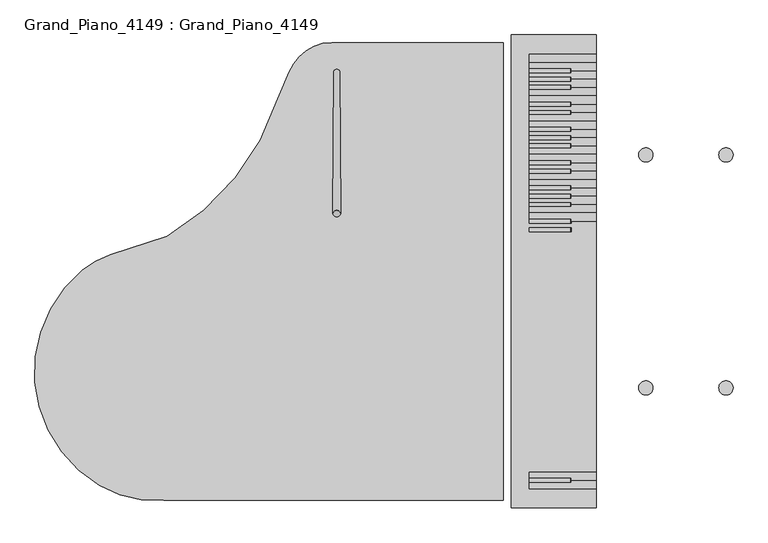
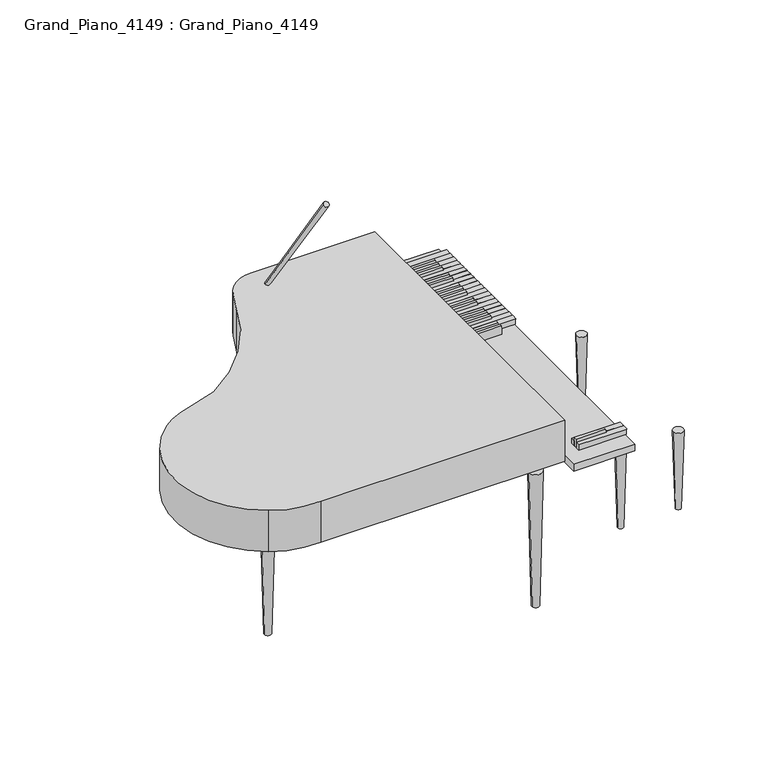
"""IFC4 building model written with IfcOpenShell, lengths in millimetres: proxy geometry, Grand_Piano_4149 : Grand_Piano_4149."""

from ifc_helpers import new_model, si_unit, point, frame, frame_2d, origin, place, context, project, spatial, polyline, circle_curve, trimmed, segment, composite_curve, outline, extrude, faceted_brep, source, transform, mapped, element, save
from ifc_brep_helpers import plane_surface, revolved_surface, advanced_brep


def grand_piano_4149_grand_piano_4149_f4924e3b(model_context):
    return source(origin(), model_context, "Body", "SolidModel", [
        advanced_brep(
        [(1019.4790399, 979.7646734, 1588.1924128), (1044.8790399, 979.7646734, 1588.1924128), (1022.0739441, 1451.5592, 914.4), (1042.2841357, 1451.5592, 914.4)],
        [
            (0, 1, circle_curve(frame((1032.1790399, 979.7646734, 1588.1924128), z_axis=(0.0, -0.5735764363510405, 0.8191520442889958), x_axis=(-1.0, 0.0, 0.0)), 12.7)),
            (1, 0, circle_curve(frame((1032.1790399, 979.7646734, 1588.1924128), z_axis=(0.0, -0.5735764363510405, 0.8191520442889958), x_axis=(1.0, 0.0, 0.0)), 12.7)),
            (2, 3, circle_curve(frame((1032.1790399, 1451.5592, 914.4), z_axis=(0.0, 0.5735764363510405, -0.8191520442889958), x_axis=(1.0, 0.0, 0.0)), 10.1050958)),
            (3, 2, circle_curve(frame((1032.1790399, 1451.5592, 914.4), z_axis=(0.0, 0.5735764363510405, -0.8191520442889958), x_axis=(-1.0, 0.0, 0.0)), 10.1050958)),
            (3, 1),
            (0, 2),
        ],
        [
            plane_surface(frame((1032.1790399, 979.7646734, 1588.1924128), z_axis=(0.0, -0.5735764363510405, 0.8191520442889958), x_axis=(0.0, -0.8191520442889958, -0.5735764363510405))),
            plane_surface(frame((1032.1790399, 1451.5592, 914.4), z_axis=(0.0, 0.5735764363510405, -0.8191520442889958), x_axis=(0.0, -0.8191520442889958, -0.5735764363510405))),
            revolved_surface(polyline([(1042.2841357116806, 1451.5592000135412, 914.4000000094811), (1044.8790399, 979.7646734, 1588.1924128)]), (1032.1790399, 3288.8250676, -1709.4875867), (0.0, -0.5735764363510405, 0.8191520442889958)),
            revolved_surface(polyline([(1022.0739440883193, 1451.5592000135412, 914.4000000094811), (1019.4790399, 979.7646734, 1588.1924128)]), (1032.1790399, 3288.8250676, -1709.4875867), (0.0, -0.5735764363510405, 0.8191520442889958)),
        ],
        [
            (0, [[1, 2]]),
            (1, [[3, 4]]),
            (2, [[-4, 5, -1, 6]]),
            (3, [[-3, -6, -2, -5]]),
        ],
    ),
        advanced_brep(
        [(2352.2820311, 399.3268281, 381.0), (2304.9104684, 399.3268281, 381.0), (2341.2962497, 399.3268281, 0.0), (2315.8962497, 399.3268281, 0.0)],
        [
            (0, 1, circle_curve(frame((2328.5962497, 399.3268281, 381.0), z_axis=(0.0, 0.0, 1.0), x_axis=(1.0, 0.0, 0.0)), 23.6857814)),
            (1, 0, circle_curve(frame((2328.5962497, 399.3268281, 381.0), z_axis=(0.0, 0.0, 1.0), x_axis=(-1.0, 0.0, 0.0)), 23.6857814)),
            (2, 3, circle_curve(frame((2328.5962497, 399.3268281, 0.0), z_axis=(0.0, 0.0, -1.0), x_axis=(-1.0, 0.0, 0.0)), 12.7)),
            (3, 2, circle_curve(frame((2328.5962497, 399.3268281, 0.0), z_axis=(0.0, 0.0, -1.0), x_axis=(1.0, 0.0, 0.0)), 12.7)),
            (3, 1),
            (0, 2),
        ],
        [
            plane_surface(frame((2328.5962497, 399.3268281, 381.0), z_axis=(0.0, 0.0, 1.0), x_axis=(0.0, 1.0, 0.0))),
            plane_surface(frame((2328.5962497, 399.3268281, 0.0), z_axis=(0.0, 0.0, -1.0), x_axis=(0.0, 1.0, 0.0))),
            revolved_surface(polyline([(2315.89624972864, 399.3268281, 0.0), (2304.9104684, 399.3268281, 380.99999999999994)]), (2328.5962497, 399.3268281, -440.4511472), (0.0, 0.0, 1.0)),
            revolved_surface(polyline([(2341.296249724978, 399.3268281, 0.0), (2352.2820311, 399.3268281, 380.99999999999994)]), (2328.5962497, 399.3268281, -440.4511472), (0.0, 0.0, 1.0)),
        ],
        [
            (0, [[1, 2]]),
            (1, [[3, 4]]),
            (2, [[-4, 5, -1, 6]]),
            (3, [[-3, -6, -2, -5]]),
        ],
    ),
        advanced_brep(
        [(2352.2820311, 1175.4731234, 381.0), (2304.9104684, 1175.4731234, 381.0), (2341.2962497, 1175.4731234, 0.0), (2315.8962497, 1175.4731234, 0.0)],
        [
            (0, 1, circle_curve(frame((2328.5962497, 1175.4731234, 381.0), z_axis=(0.0, 0.0, 1.0), x_axis=(1.0, 0.0, 0.0)), 23.6857814)),
            (1, 0, circle_curve(frame((2328.5962497, 1175.4731234, 381.0), z_axis=(0.0, 0.0, 1.0), x_axis=(-1.0, 0.0, 0.0)), 23.6857814)),
            (2, 3, circle_curve(frame((2328.5962497, 1175.4731234, 0.0), z_axis=(0.0, 0.0, -1.0), x_axis=(-1.0, 0.0, 0.0)), 12.7)),
            (3, 2, circle_curve(frame((2328.5962497, 1175.4731234, 0.0), z_axis=(0.0, 0.0, -1.0), x_axis=(1.0, 0.0, 0.0)), 12.7)),
            (3, 1),
            (0, 2),
        ],
        [
            plane_surface(frame((2328.5962497, 1175.4731234, 381.0), z_axis=(0.0, 0.0, 1.0), x_axis=(0.0, 1.0, 0.0))),
            plane_surface(frame((2328.5962497, 1175.4731234, 0.0), z_axis=(0.0, 0.0, -1.0), x_axis=(0.0, 1.0, 0.0))),
            revolved_surface(polyline([(2315.89624972864, 1175.4731234, 0.0), (2304.9104684, 1175.4731234, 380.99999999999994)]), (2328.5962497, 1175.4731234, -440.4511472), (0.0, 0.0, 1.0)),
            revolved_surface(polyline([(2341.296249724978, 1175.4731234, 0.0), (2352.2820311, 1175.4731234, 380.99999999999994)]), (2328.5962497, 1175.4731234, -440.4511472), (0.0, 0.0, 1.0)),
        ],
        [
            (0, [[1, 2]]),
            (1, [[3, 4]]),
            (2, [[-4, 5, -1, 6]]),
            (3, [[-3, -6, -2, -5]]),
        ],
    ),
        advanced_brep(
        [(2038.046483, 399.3268281, 381.0), (2085.4180457, 399.3268281, 381.0), (2049.0322644, 399.3268281, 0.0), (2074.4322644, 399.3268281, 0.0)],
        [
            (0, 1, circle_curve(frame((2061.7322644, 399.3268281, 381.0), z_axis=(0.0, 0.0, 1.0), x_axis=(-1.0, 0.0, 0.0)), 23.6857814)),
            (1, 0, circle_curve(frame((2061.7322644, 399.3268281, 381.0), z_axis=(0.0, 0.0, 1.0), x_axis=(1.0, 0.0, 0.0)), 23.6857814)),
            (2, 3, circle_curve(frame((2061.7322644, 399.3268281, 0.0), z_axis=(0.0, 0.0, -1.0), x_axis=(1.0, 0.0, 0.0)), 12.7)),
            (3, 2, circle_curve(frame((2061.7322644, 399.3268281, 0.0), z_axis=(0.0, 0.0, -1.0), x_axis=(-1.0, 0.0, 0.0)), 12.7)),
            (3, 1),
            (0, 2),
        ],
        [
            plane_surface(frame((2061.7322644, 399.3268281, 381.0), z_axis=(0.0, 0.0, 1.0), x_axis=(0.0, -1.0, 0.0))),
            plane_surface(frame((2061.7322644, 399.3268281, 0.0), z_axis=(0.0, 0.0, -1.0), x_axis=(0.0, -1.0, 0.0))),
            revolved_surface(polyline([(2074.43226437136, 399.3268281, 0.0), (2085.4180457, 399.3268281, 380.99999999999994)]), (2061.7322644, 399.3268281, -440.4511472), (0.0, 0.0, 1.0)),
            revolved_surface(polyline([(2049.032264375022, 399.3268281, 0.0), (2038.046483, 399.3268281, 380.99999999999994)]), (2061.7322644, 399.3268281, -440.4511472), (0.0, 0.0, 1.0)),
        ],
        [
            (0, [[1, 2]]),
            (1, [[3, 4]]),
            (2, [[-4, 5, -1, 6]]),
            (3, [[-3, -6, -2, -5]]),
        ],
    ),
        advanced_brep(
        [(2038.046483, 1175.4731234, 381.0), (2085.4180457, 1175.4731234, 381.0), (2049.0322644, 1175.4731234, 0.0), (2074.4322644, 1175.4731234, 0.0)],
        [
            (0, 1, circle_curve(frame((2061.7322644, 1175.4731234, 381.0), z_axis=(0.0, 0.0, 1.0), x_axis=(-1.0, 0.0, 0.0)), 23.6857814)),
            (1, 0, circle_curve(frame((2061.7322644, 1175.4731234, 381.0), z_axis=(0.0, 0.0, 1.0), x_axis=(1.0, 0.0, 0.0)), 23.6857814)),
            (2, 3, circle_curve(frame((2061.7322644, 1175.4731234, 0.0), z_axis=(0.0, 0.0, -1.0), x_axis=(1.0, 0.0, 0.0)), 12.7)),
            (3, 2, circle_curve(frame((2061.7322644, 1175.4731234, 0.0), z_axis=(0.0, 0.0, -1.0), x_axis=(-1.0, 0.0, 0.0)), 12.7)),
            (3, 1),
            (0, 2),
        ],
        [
            plane_surface(frame((2061.7322644, 1175.4731234, 381.0), z_axis=(0.0, 0.0, 1.0), x_axis=(0.0, -1.0, 0.0))),
            plane_surface(frame((2061.7322644, 1175.4731234, 0.0), z_axis=(0.0, 0.0, -1.0), x_axis=(0.0, -1.0, 0.0))),
            revolved_surface(polyline([(2074.43226437136, 1175.4731234, 0.0), (2085.4180457, 1175.4731234, 380.99999999999994)]), (2061.7322644, 1175.4731234, -440.4511472), (0.0, 0.0, 1.0)),
            revolved_surface(polyline([(2049.032264375022, 1175.4731234, 0.0), (2038.046483, 1175.4731234, 380.99999999999994)]), (2061.7322644, 1175.4731234, -440.4511472), (0.0, 0.0, 1.0)),
        ],
        [
            (0, [[1, 2]]),
            (1, [[3, 4]]),
            (2, [[-4, 5, -1, 6]]),
            (3, [[-3, -6, -2, -5]]),
        ],
    ),
        extrude(outline(composite_curve([segment(polyline([(276.8974813, 842.0752592), (467.7030104, 903.8017168)]), True, "CONTINUOUS"), segment(trimmed(circle_curve(frame_2d((44.8147767, 1621.4981786)), 833.0202095), [point((467.7030104, 903.8017168))], [point((836.4175492, 1362.099412))], True, "CARTESIAN"), True, "CONTINUOUS"), segment(trimmed(circle_curve(frame_2d((-151.2186047, 1837.3651163)), 1096.0395349), [point((836.4175492, 1362.099412))], [point((874.6744, 1451.5592))], True, "CARTESIAN"), True, "CONTINUOUS"), segment(trimmed(circle_curve(frame_2d((1016.0, 1398.4111111)), 150.9888889), [point((874.6744, 1451.5592))], [point((1016.0, 1549.4))], False, "CARTESIAN"), True, "CONTINUOUS"), segment(polyline([(1016.0, 1549.4), (1587.5, 1549.4), (1587.5, 25.4), (456.2129189, 25.4)]), True, "CONTINUOUS"), segment(trimmed(circle_curve(frame_2d((427.3193585, 390.3202066)), 366.062283), [point((456.2129189, 25.4))], [point((241.4938902, 74.9307801))], False, "CARTESIAN"), True, "CONTINUOUS"), segment(trimmed(circle_curve(frame_2d((464.306957, 453.0968408)), 438.9250872), [point((241.4938902, 74.9307801))], [point((185.2812557, 791.9181657))], False, "CARTESIAN"), True, "CONTINUOUS"), segment(trimmed(circle_curve(frame_2d((362.8964871, 576.2397255)), 279.4), [point((185.2812557, 791.9181657))], [point((276.8974813, 842.0752592))], False, "CARTESIAN"), True, "CONTINUOUS")], self_intersect=False)), frame((0.0, 0.0, 713.2368786), z_axis=(0.0, 0.0, 1.0), x_axis=(1.0, 0.0, 0.0)), (0.0, 0.0, 1.0), 201.1631214),
        advanced_brep(
        [(1460.5, 1479.5498547, 660.4), (1524.0, 1479.5498547, 660.4), (1475.6233568, 1479.5498547, 0.0), (1508.8766432, 1479.5498547, 0.0)],
        [
            (0, 1, circle_curve(frame((1492.25, 1479.5498547, 660.4), z_axis=(0.0, 0.0, 1.0), x_axis=(-1.0, 0.0, 0.0)), 31.75)),
            (1, 0, circle_curve(frame((1492.25, 1479.5498547, 660.4), z_axis=(0.0, 0.0, 1.0), x_axis=(1.0, 0.0, 0.0)), 31.75)),
            (2, 3, circle_curve(frame((1492.25, 1479.5498547, 0.0), z_axis=(0.0, 0.0, -1.0), x_axis=(1.0, 0.0, 0.0)), 16.6266432)),
            (3, 2, circle_curve(frame((1492.25, 1479.5498547, 0.0), z_axis=(0.0, 0.0, -1.0), x_axis=(-1.0, 0.0, 0.0)), 16.6266432)),
            (3, 1),
            (0, 2),
        ],
        [
            plane_surface(frame((1492.25, 1479.5498547, 660.4), z_axis=(0.0, 0.0, 1.0), x_axis=(0.0, -1.0, 0.0))),
            plane_surface(frame((1492.25, 1479.5498547, 0.0), z_axis=(0.0, 0.0, -1.0), x_axis=(0.0, -1.0, 0.0))),
            revolved_surface(polyline([(1508.8766431511674, 1479.5498547, 0.0), (1524.0, 1479.5498547, 660.4)]), (1492.25, 1479.5498547, -726.0448356), (0.0, 0.0, 1.0)),
            revolved_surface(polyline([(1475.6233568488326, 1479.5498547, 0.0), (1460.5, 1479.5498547, 660.4)]), (1492.25, 1479.5498547, -726.0448356), (0.0, 0.0, 1.0)),
        ],
        [
            (0, [[1, 2]]),
            (1, [[3, 4]]),
            (2, [[-4, 5, -1, 6]]),
            (3, [[-3, -6, -2, -5]]),
        ],
    ),
        advanced_brep(
        [(1460.5, 95.2498365, 660.4), (1524.0, 95.2498365, 660.4), (1475.6233568, 95.2498365, 0.0), (1508.8766432, 95.2498365, 0.0)],
        [
            (0, 1, circle_curve(frame((1492.25, 95.2498365, 660.4), z_axis=(0.0, 0.0, 1.0), x_axis=(-1.0, 0.0, 0.0)), 31.75)),
            (1, 0, circle_curve(frame((1492.25, 95.2498365, 660.4), z_axis=(0.0, 0.0, 1.0), x_axis=(1.0, 0.0, 0.0)), 31.75)),
            (2, 3, circle_curve(frame((1492.25, 95.2498365, 0.0), z_axis=(0.0, 0.0, -1.0), x_axis=(1.0, 0.0, 0.0)), 16.6266432)),
            (3, 2, circle_curve(frame((1492.25, 95.2498365, 0.0), z_axis=(0.0, 0.0, -1.0), x_axis=(-1.0, 0.0, 0.0)), 16.6266432)),
            (3, 1),
            (0, 2),
        ],
        [
            plane_surface(frame((1492.25, 95.2498365, 660.4), z_axis=(0.0, 0.0, 1.0), x_axis=(0.0, -1.0, 0.0))),
            plane_surface(frame((1492.25, 95.2498365, 0.0), z_axis=(0.0, 0.0, -1.0), x_axis=(0.0, -1.0, 0.0))),
            revolved_surface(polyline([(1508.8766431511674, 95.2498365, 0.0), (1524.0, 95.2498365, 660.4)]), (1492.25, 95.2498365, -726.0448356), (0.0, 0.0, 1.0)),
            revolved_surface(polyline([(1475.6233568488326, 95.2498365, 0.0), (1460.5, 95.2498365, 660.4)]), (1492.25, 95.2498365, -726.0448356), (0.0, 0.0, 1.0)),
        ],
        [
            (0, [[1, 2]]),
            (1, [[3, 4]]),
            (2, [[-4, 5, -1, 6]]),
            (3, [[-3, -6, -2, -5]]),
        ],
    ),
        advanced_brep(
        [(431.8, 463.5499031, 660.4), (495.3, 463.5499031, 660.4), (446.9233568, 463.5499031, 0.0), (480.1766432, 463.5499031, 0.0)],
        [
            (0, 1, circle_curve(frame((463.55, 463.5499031, 660.4), z_axis=(0.0, 0.0, 1.0), x_axis=(-1.0, 0.0, 0.0)), 31.75)),
            (1, 0, circle_curve(frame((463.55, 463.5499031, 660.4), z_axis=(0.0, 0.0, 1.0), x_axis=(1.0, 0.0, 0.0)), 31.75)),
            (2, 3, circle_curve(frame((463.55, 463.5499031, 0.0), z_axis=(0.0, 0.0, -1.0), x_axis=(1.0, 0.0, 0.0)), 16.6266432)),
            (3, 2, circle_curve(frame((463.55, 463.5499031, 0.0), z_axis=(0.0, 0.0, -1.0), x_axis=(-1.0, 0.0, 0.0)), 16.6266432)),
            (3, 1),
            (0, 2),
        ],
        [
            plane_surface(frame((463.55, 463.5499031, 660.4), z_axis=(0.0, 0.0, 1.0), x_axis=(0.0, -1.0, 0.0))),
            plane_surface(frame((463.55, 463.5499031, 0.0), z_axis=(0.0, 0.0, -1.0), x_axis=(0.0, -1.0, 0.0))),
            revolved_surface(polyline([(480.1766431511673, 463.5499031, 0.0), (495.3, 463.5499031, 660.4)]), (463.55, 463.5499031, -726.0448356), (0.0, 0.0, 1.0)),
            revolved_surface(polyline([(446.9233568488327, 463.5499031, 0.0), (431.8, 463.5499031, 660.4)]), (463.55, 463.5499031, -726.0448356), (0.0, 0.0, 1.0)),
        ],
        [
            (0, [[1, 2]]),
            (1, [[3, 4]]),
            (2, [[-4, 5, -1, 6]]),
            (3, [[-3, -6, -2, -5]]),
        ],
    ),
        extrude(outline(polyline([(1896.667768, 0.0), (1612.9, 0.0), (1612.9, 1574.8), (1896.667768, 1574.8), (1896.667768, 0.0)])), frame((0.0, 0.0, 672.865402), z_axis=(0.0, 0.0, 1.0), x_axis=(1.0, 0.0, 0.0)), (0.0, 0.0, 1.0), 32.6279989),
        extrude(outline(polyline([(715.5280142, 1673.9293037), (715.5280142, 1812.7439679), (740.9280142, 1812.7439679), (756.8030142, 1809.3696324), (756.8030142, 1673.9293037), (715.5280142, 1673.9293037)])), frame((0.0, 84.7785881, 0.0), z_axis=(0.0, 1.0, 0.0), x_axis=(0.0, 0.0, 1.0)), (0.0, 0.0, 1.0), 13.1274042),
        faceted_brep([(1895.7364663, 118.7877236, 740.9280142), (1673.9293037, 118.7877236, 740.9280142), (1673.9293037, 98.6997423, 740.9280142), (1813.5377179, 98.6997423, 740.9280142), (1813.5377179, 91.7391652, 740.9280142), (1895.7364663, 91.7391652, 740.9280142), (1896.667768, 92.6704669, 740.9280142), (1896.667768, 117.8564219, 740.9280142), (1813.5377179, 91.7391652, 715.5280142), (1813.5377179, 98.6997423, 715.5280142), (1673.9293037, 98.6997423, 715.5280142), (1673.9293037, 118.7877236, 715.5280142), (1893.9209225, 118.7877236, 715.5280142), (1893.9209225, 91.7391652, 715.5280142), (1895.7364663, 118.7877236, 739.0575896), (1893.9209225, 118.7877236, 739.0575896), (1893.9209225, 91.7391652, 739.0575896), (1895.7364663, 91.7391652, 739.0575896), (1896.667768, 92.6704669, 739.0575896), (1896.667768, 117.8564219, 739.0575896)], [[[0, 1, 2, 3, 4, 5, 6, 7]], [[8, 9, 10, 11, 12, 13]], [[1, 0, 14, 15, 12, 11]], [[2, 1, 11, 10]], [[3, 2, 10, 9]], [[4, 3, 9, 8]], [[5, 4, 8, 13, 16, 17]], [[6, 5, 17, 18]], [[7, 6, 18, 19]], [[0, 7, 19, 14]], [[15, 16, 13, 12]], [[16, 15, 14, 19, 18, 17]]]),
        faceted_brep([(1813.5377179, 83.9848381, 740.9280142), (1673.9293037, 83.9848381, 740.9280142), (1673.9293037, 63.8968568, 740.9280142), (1895.7364663, 63.8968568, 740.9280142), (1896.667768, 64.8281585, 740.9280142), (1896.667768, 90.0141135, 740.9280142), (1895.7364663, 90.9454152, 740.9280142), (1813.5377179, 90.9454152, 740.9280142), (1813.5377179, 83.9848381, 715.5280142), (1813.5377179, 90.9454152, 715.5280142), (1893.9209225, 90.9454152, 715.5280142), (1893.9209225, 63.8968568, 715.5280142), (1673.9293037, 63.8968568, 715.5280142), (1673.9293037, 83.9848381, 715.5280142), (1893.9209225, 63.8968568, 739.0575896), (1895.7364663, 63.8968568, 739.0575896), (1896.667768, 64.8281585, 739.0575896), (1896.667768, 90.0141135, 739.0575896), (1895.7364663, 90.9454152, 739.0575896), (1893.9209225, 90.9454152, 739.0575896)], [[[0, 1, 2, 3, 4, 5, 6, 7]], [[8, 9, 10, 11, 12, 13]], [[1, 0, 8, 13]], [[2, 1, 13, 12]], [[3, 2, 12, 11, 14, 15]], [[4, 3, 15, 16]], [[5, 4, 16, 17]], [[6, 5, 17, 18]], [[7, 6, 18, 19, 10, 9]], [[0, 7, 9, 8]], [[19, 14, 11, 10]], [[14, 19, 18, 17, 16, 15]]]),
        faceted_brep([(1895.7364663, 1510.9031432, 740.9280142), (1673.9293037, 1510.9031432, 740.9280142), (1673.9293037, 1483.8545848, 740.9280142), (1895.7364663, 1483.8545848, 740.9280142), (1896.667768, 1484.7858865, 740.9280142), (1896.667768, 1509.9718415, 740.9280142), (1673.9293037, 1483.8545848, 715.5280142), (1673.9293037, 1510.9031432, 715.5280142), (1893.9209225, 1510.9031432, 715.5280142), (1893.9209225, 1483.8545848, 715.5280142), (1895.7364663, 1510.9031432, 739.0575896), (1893.9209225, 1510.9031432, 739.0575896), (1893.9209225, 1483.8545848, 739.0575896), (1895.7364663, 1483.8545848, 739.0575896), (1896.667768, 1484.7858865, 739.0575896), (1896.667768, 1509.9718415, 739.0575896)], [[[0, 1, 2, 3, 4, 5]], [[6, 7, 8, 9]], [[1, 0, 10, 11, 8, 7]], [[2, 1, 7, 6]], [[3, 2, 6, 9, 12, 13]], [[4, 3, 13, 14]], [[5, 4, 14, 15]], [[0, 5, 15, 10]], [[11, 12, 9, 8]], [[12, 11, 10, 15, 14, 13]]]),
        extrude(outline(polyline([(715.5280142, 1673.9293037), (715.5280142, 1812.7439679), (740.9280142, 1812.7439679), (756.8030142, 1809.3696324), (756.8030142, 1673.9293037), (715.5280142, 1673.9293037)])), frame((0.0, 85.1041545, 0.0), z_axis=(0.0, 1.0, 0.0), x_axis=(0.0, 0.0, 1.0)), (0.0, 0.0, 1.0), 13.1274042),
        faceted_brep([(1895.7364663, 1483.0608348, 740.9280142), (1673.9293037, 1483.0608348, 740.9280142), (1673.9293037, 1462.9728535, 740.9280142), (1813.5377179, 1462.9728535, 740.9280142), (1813.5377179, 1456.0122764, 740.9280142), (1895.7364663, 1456.0122764, 740.9280142), (1896.667768, 1456.9435781, 740.9280142), (1896.667768, 1482.1295331, 740.9280142), (1813.5377179, 1456.0122764, 715.5280142), (1813.5377179, 1462.9728535, 715.5280142), (1673.9293037, 1462.9728535, 715.5280142), (1673.9293037, 1483.0608348, 715.5280142), (1893.9209225, 1483.0608348, 715.5280142), (1893.9209225, 1456.0122764, 715.5280142), (1895.7364663, 1483.0608348, 739.0575896), (1893.9209225, 1483.0608348, 739.0575896), (1893.9209225, 1456.0122764, 739.0575896), (1895.7364663, 1456.0122764, 739.0575896), (1896.667768, 1456.9435781, 739.0575896), (1896.667768, 1482.1295331, 739.0575896)], [[[0, 1, 2, 3, 4, 5, 6, 7]], [[8, 9, 10, 11, 12, 13]], [[1, 0, 14, 15, 12, 11]], [[2, 1, 11, 10]], [[3, 2, 10, 9]], [[4, 3, 9, 8]], [[5, 4, 8, 13, 16, 17]], [[6, 5, 17, 18]], [[7, 6, 18, 19]], [[0, 7, 19, 14]], [[15, 16, 13, 12]], [[16, 15, 14, 19, 18, 17]]]),
        faceted_brep([(1813.5377179, 1435.1305451, 740.9280142), (1813.5377179, 1428.169968, 740.9280142), (1895.7364663, 1428.169968, 740.9280142), (1896.667768, 1429.1012697, 740.9280142), (1896.667768, 1454.2872247, 740.9280142), (1895.7364663, 1455.2185264, 740.9280142), (1813.5377179, 1455.2185264, 740.9280142), (1813.5377179, 1448.2579493, 740.9280142), (1673.9293037, 1448.2579493, 740.9280142), (1673.9293037, 1435.1305451, 740.9280142), (1813.5377179, 1435.1305451, 715.5280142), (1673.9293037, 1435.1305451, 715.5280142), (1673.9293037, 1448.2579493, 715.5280142), (1813.5377179, 1448.2579493, 715.5280142), (1813.5377179, 1455.2185264, 715.5280142), (1893.9209225, 1455.2185264, 715.5280142), (1893.9209225, 1428.169968, 715.5280142), (1813.5377179, 1428.169968, 715.5280142), (1893.9209225, 1428.169968, 739.0575896), (1895.7364663, 1428.169968, 739.0575896), (1896.667768, 1429.1012697, 739.0575896), (1896.667768, 1454.2872247, 739.0575896), (1895.7364663, 1455.2185264, 739.0575896), (1893.9209225, 1455.2185264, 739.0575896)], [[[0, 1, 2, 3, 4, 5, 6, 7, 8, 9]], [[10, 11, 12, 13, 14, 15, 16, 17]], [[1, 0, 10, 17]], [[2, 1, 17, 16, 18, 19]], [[3, 2, 19, 20]], [[4, 3, 20, 21]], [[5, 4, 21, 22]], [[6, 5, 22, 23, 15, 14]], [[7, 6, 14, 13]], [[8, 7, 13, 12]], [[9, 8, 12, 11]], [[0, 9, 11, 10]], [[23, 18, 16, 15]], [[18, 23, 22, 21, 20, 19]]]),
        faceted_brep([(1813.5377179, 1420.4156409, 740.9280142), (1673.9293037, 1420.4156409, 740.9280142), (1673.9293037, 1407.2882367, 740.9280142), (1813.5377179, 1407.2882367, 740.9280142), (1813.5377179, 1400.3276596, 740.9280142), (1895.7364663, 1400.3276596, 740.9280142), (1896.667768, 1401.2589613, 740.9280142), (1896.667768, 1426.4449163, 740.9280142), (1895.7364663, 1427.376218, 740.9280142), (1813.5377179, 1427.376218, 740.9280142), (1813.5377179, 1420.4156409, 715.5280142), (1813.5377179, 1427.376218, 715.5280142), (1893.9209225, 1427.376218, 715.5280142), (1893.9209225, 1400.3276596, 715.5280142), (1813.5377179, 1400.3276596, 715.5280142), (1813.5377179, 1407.2882367, 715.5280142), (1673.9293037, 1407.2882367, 715.5280142), (1673.9293037, 1420.4156409, 715.5280142), (1893.9209225, 1400.3276596, 739.0575896), (1895.7364663, 1400.3276596, 739.0575896), (1896.667768, 1401.2589613, 739.0575896), (1896.667768, 1426.4449163, 739.0575896), (1895.7364663, 1427.376218, 739.0575896), (1893.9209225, 1427.376218, 739.0575896)], [[[0, 1, 2, 3, 4, 5, 6, 7, 8, 9]], [[10, 11, 12, 13, 14, 15, 16, 17]], [[1, 0, 10, 17]], [[2, 1, 17, 16]], [[3, 2, 16, 15]], [[4, 3, 15, 14]], [[5, 4, 14, 13, 18, 19]], [[6, 5, 19, 20]], [[7, 6, 20, 21]], [[8, 7, 21, 22]], [[9, 8, 22, 23, 12, 11]], [[0, 9, 11, 10]], [[23, 18, 13, 12]], [[18, 23, 22, 21, 20, 19]]]),
        faceted_brep([(1895.7364663, 1371.6916012, 740.9280142), (1673.9293037, 1371.6916012, 740.9280142), (1673.9293037, 1351.6036199, 740.9280142), (1813.5377179, 1351.6036199, 740.9280142), (1813.5377179, 1344.6430428, 740.9280142), (1895.7364663, 1344.6430428, 740.9280142), (1896.667768, 1345.5743445, 740.9280142), (1896.667768, 1370.7602995, 740.9280142), (1813.5377179, 1344.6430428, 715.5280142), (1813.5377179, 1351.6036199, 715.5280142), (1673.9293037, 1351.6036199, 715.5280142), (1673.9293037, 1371.6916012, 715.5280142), (1893.9209225, 1371.6916012, 715.5280142), (1893.9209225, 1344.6430428, 715.5280142), (1895.7364663, 1371.6916012, 739.0575896), (1893.9209225, 1371.6916012, 739.0575896), (1893.9209225, 1344.6430428, 739.0575896), (1895.7364663, 1344.6430428, 739.0575896), (1896.667768, 1345.5743445, 739.0575896), (1896.667768, 1370.7602995, 739.0575896)], [[[0, 1, 2, 3, 4, 5, 6, 7]], [[8, 9, 10, 11, 12, 13]], [[1, 0, 14, 15, 12, 11]], [[2, 1, 11, 10]], [[3, 2, 10, 9]], [[4, 3, 9, 8]], [[5, 4, 8, 13, 16, 17]], [[6, 5, 17, 18]], [[7, 6, 18, 19]], [[0, 7, 19, 14]], [[15, 16, 13, 12]], [[16, 15, 14, 19, 18, 17]]]),
        faceted_brep([(1895.7364663, 1372.4853512, 740.9280142), (1896.667768, 1373.4166529, 740.9280142), (1896.667768, 1398.6026079, 740.9280142), (1895.7364663, 1399.5339096, 740.9280142), (1813.5377179, 1399.5339096, 740.9280142), (1813.5377179, 1392.5733325, 740.9280142), (1673.9293037, 1392.5733325, 740.9280142), (1673.9293037, 1372.4853512, 740.9280142), (1673.9293037, 1372.4853512, 715.5280142), (1673.9293037, 1392.5733325, 715.5280142), (1813.5377179, 1392.5733325, 715.5280142), (1813.5377179, 1399.5339096, 715.5280142), (1893.9209225, 1399.5339096, 715.5280142), (1893.9209225, 1372.4853512, 715.5280142), (1895.7364663, 1372.4853512, 739.0575896), (1896.667768, 1373.4166529, 739.0575896), (1896.667768, 1398.6026079, 739.0575896), (1895.7364663, 1399.5339096, 739.0575896), (1893.9209225, 1399.5339096, 739.0575896), (1893.9209225, 1372.4853512, 739.0575896)], [[[0, 1, 2, 3, 4, 5, 6, 7]], [[8, 9, 10, 11, 12, 13]], [[1, 0, 14, 15]], [[2, 1, 15, 16]], [[3, 2, 16, 17]], [[4, 3, 17, 18, 12, 11]], [[5, 4, 11, 10]], [[6, 5, 10, 9]], [[7, 6, 9, 8]], [[0, 7, 8, 13, 19, 14]], [[18, 19, 13, 12]], [[19, 18, 17, 16, 15, 14]]]),
        extrude(outline(polyline([(715.5280142, 1673.9293037), (715.5280142, 1812.7439679), (740.9280142, 1812.7439679), (756.8030142, 1809.3696324), (756.8030142, 1673.9293037), (715.5280142, 1673.9293037)])), frame((0.0, 1449.0516993, 0.0), z_axis=(0.0, 1.0, 0.0), x_axis=(0.0, 0.0, 1.0)), (0.0, 0.0, 1.0), 13.1274042),
        extrude(outline(polyline([(715.5280142, 1673.9293037), (715.5280142, 1812.7439679), (740.9280142, 1812.7439679), (756.8030142, 1809.3696324), (756.8030142, 1673.9293037), (715.5280142, 1673.9293037)])), frame((0.0, 1421.2093909, 0.0), z_axis=(0.0, 1.0, 0.0), x_axis=(0.0, 0.0, 1.0)), (0.0, 0.0, 1.0), 13.1274042),
        extrude(outline(polyline([(715.5280142, 1673.9293037), (715.5280142, 1812.7439679), (740.9280142, 1812.7439679), (756.8030142, 1809.3696324), (756.8030142, 1673.9293037), (715.5280142, 1673.9293037)])), frame((0.0, 1393.3670825, 0.0), z_axis=(0.0, 1.0, 0.0), x_axis=(0.0, 0.0, 1.0)), (0.0, 0.0, 1.0), 13.1274042),
        extrude(outline(polyline([(715.5280142, 1673.9293037), (715.5280142, 1812.7439679), (740.9280142, 1812.7439679), (756.8030142, 1809.3696324), (756.8030142, 1673.9293037), (715.5280142, 1673.9293037)])), frame((0.0, 1309.8401573, 0.0), z_axis=(0.0, 1.0, 0.0), x_axis=(0.0, 0.0, 1.0)), (0.0, 0.0, 1.0), 13.1274042),
        extrude(outline(polyline([(715.5280142, 1673.9293037), (715.5280142, 1812.7439679), (740.9280142, 1812.7439679), (756.8030142, 1809.3696324), (756.8030142, 1673.9293037), (715.5280142, 1673.9293037)])), frame((0.0, 1337.6824657, 0.0), z_axis=(0.0, 1.0, 0.0), x_axis=(0.0, 0.0, 1.0)), (0.0, 0.0, 1.0), 13.1274042),
        faceted_brep([(1813.5377179, 1336.8887157, 740.9280142), (1673.9293037, 1336.8887157, 740.9280142), (1673.9293037, 1323.7613115, 740.9280142), (1813.5377179, 1323.7613115, 740.9280142), (1813.5377179, 1316.8007344, 740.9280142), (1895.7364663, 1316.8007344, 740.9280142), (1896.667768, 1317.7320361, 740.9280142), (1896.667768, 1342.9179911, 740.9280142), (1895.7364663, 1343.8492928, 740.9280142), (1813.5377179, 1343.8492928, 740.9280142), (1813.5377179, 1336.8887157, 715.5280142), (1813.5377179, 1343.8492928, 715.5280142), (1893.9209225, 1343.8492928, 715.5280142), (1893.9209225, 1316.8007344, 715.5280142), (1813.5377179, 1316.8007344, 715.5280142), (1813.5377179, 1323.7613115, 715.5280142), (1673.9293037, 1323.7613115, 715.5280142), (1673.9293037, 1336.8887157, 715.5280142), (1893.9209225, 1316.8007344, 739.0575896), (1895.7364663, 1316.8007344, 739.0575896), (1896.667768, 1317.7320361, 739.0575896), (1896.667768, 1342.9179911, 739.0575896), (1895.7364663, 1343.8492928, 739.0575896), (1893.9209225, 1343.8492928, 739.0575896)], [[[0, 1, 2, 3, 4, 5, 6, 7, 8, 9]], [[10, 11, 12, 13, 14, 15, 16, 17]], [[1, 0, 10, 17]], [[2, 1, 17, 16]], [[3, 2, 16, 15]], [[4, 3, 15, 14]], [[5, 4, 14, 13, 18, 19]], [[6, 5, 19, 20]], [[7, 6, 20, 21]], [[8, 7, 21, 22]], [[9, 8, 22, 23, 12, 11]], [[0, 9, 11, 10]], [[23, 18, 13, 12]], [[18, 23, 22, 21, 20, 19]]]),
        faceted_brep([(1895.7364663, 1288.958426, 740.9280142), (1896.667768, 1289.8897277, 740.9280142), (1896.667768, 1315.0756827, 740.9280142), (1895.7364663, 1316.0069844, 740.9280142), (1813.5377179, 1316.0069844, 740.9280142), (1813.5377179, 1309.0464073, 740.9280142), (1673.9293037, 1309.0464073, 740.9280142), (1673.9293037, 1288.958426, 740.9280142), (1673.9293037, 1288.958426, 715.5280142), (1673.9293037, 1309.0464073, 715.5280142), (1813.5377179, 1309.0464073, 715.5280142), (1813.5377179, 1316.0069844, 715.5280142), (1893.9209225, 1316.0069844, 715.5280142), (1893.9209225, 1288.958426, 715.5280142), (1895.7364663, 1288.958426, 739.0575896), (1896.667768, 1289.8897277, 739.0575896), (1896.667768, 1315.0756827, 739.0575896), (1895.7364663, 1316.0069844, 739.0575896), (1893.9209225, 1316.0069844, 739.0575896), (1893.9209225, 1288.958426, 739.0575896)], [[[0, 1, 2, 3, 4, 5, 6, 7]], [[8, 9, 10, 11, 12, 13]], [[1, 0, 14, 15]], [[2, 1, 15, 16]], [[3, 2, 16, 17]], [[4, 3, 17, 18, 12, 11]], [[5, 4, 11, 10]], [[6, 5, 10, 9]], [[7, 6, 9, 8]], [[0, 7, 8, 13, 19, 14]], [[18, 19, 13, 12]], [[19, 18, 17, 16, 15, 14]]]),
        faceted_brep([(1895.7364663, 1288.164676, 740.9280142), (1673.9293037, 1288.164676, 740.9280142), (1673.9293037, 1268.0766947, 740.9280142), (1813.5377179, 1268.0766947, 740.9280142), (1813.5377179, 1261.1161176, 740.9280142), (1895.7364663, 1261.1161176, 740.9280142), (1896.667768, 1262.0474193, 740.9280142), (1896.667768, 1287.2333743, 740.9280142), (1813.5377179, 1261.1161176, 715.5280142), (1813.5377179, 1268.0766947, 715.5280142), (1673.9293037, 1268.0766947, 715.5280142), (1673.9293037, 1288.164676, 715.5280142), (1893.9209225, 1288.164676, 715.5280142), (1893.9209225, 1261.1161176, 715.5280142), (1895.7364663, 1288.164676, 739.0575896), (1893.9209225, 1288.164676, 739.0575896), (1893.9209225, 1261.1161176, 739.0575896), (1895.7364663, 1261.1161176, 739.0575896), (1896.667768, 1262.0474193, 739.0575896), (1896.667768, 1287.2333743, 739.0575896)], [[[0, 1, 2, 3, 4, 5, 6, 7]], [[8, 9, 10, 11, 12, 13]], [[1, 0, 14, 15, 12, 11]], [[2, 1, 11, 10]], [[3, 2, 10, 9]], [[4, 3, 9, 8]], [[5, 4, 8, 13, 16, 17]], [[6, 5, 17, 18]], [[7, 6, 18, 19]], [[0, 7, 19, 14]], [[15, 16, 13, 12]], [[16, 15, 14, 19, 18, 17]]]),
        faceted_brep([(1813.5377179, 1240.2343864, 740.9280142), (1813.5377179, 1233.2738093, 740.9280142), (1895.7364663, 1233.2738093, 740.9280142), (1896.667768, 1234.205111, 740.9280142), (1896.667768, 1259.3910659, 740.9280142), (1895.7364663, 1260.3223676, 740.9280142), (1813.5377179, 1260.3223676, 740.9280142), (1813.5377179, 1253.3617906, 740.9280142), (1673.9293037, 1253.3617906, 740.9280142), (1673.9293037, 1240.2343864, 740.9280142), (1813.5377179, 1240.2343864, 715.5280142), (1673.9293037, 1240.2343864, 715.5280142), (1673.9293037, 1253.3617906, 715.5280142), (1813.5377179, 1253.3617906, 715.5280142), (1813.5377179, 1260.3223676, 715.5280142), (1893.9209225, 1260.3223676, 715.5280142), (1893.9209225, 1233.2738093, 715.5280142), (1813.5377179, 1233.2738093, 715.5280142), (1893.9209225, 1233.2738093, 739.0575896), (1895.7364663, 1233.2738093, 739.0575896), (1896.667768, 1234.205111, 739.0575896), (1896.667768, 1259.3910659, 739.0575896), (1895.7364663, 1260.3223676, 739.0575896), (1893.9209225, 1260.3223676, 739.0575896)], [[[0, 1, 2, 3, 4, 5, 6, 7, 8, 9]], [[10, 11, 12, 13, 14, 15, 16, 17]], [[1, 0, 10, 17]], [[2, 1, 17, 16, 18, 19]], [[3, 2, 19, 20]], [[4, 3, 20, 21]], [[5, 4, 21, 22]], [[6, 5, 22, 23, 15, 14]], [[7, 6, 14, 13]], [[8, 7, 13, 12]], [[9, 8, 12, 11]], [[0, 9, 11, 10]], [[23, 18, 16, 15]], [[18, 23, 22, 21, 20, 19]]]),
        faceted_brep([(1813.5377179, 1225.5194822, 740.9280142), (1673.9293037, 1225.5194822, 740.9280142), (1673.9293037, 1212.392078, 740.9280142), (1813.5377179, 1212.392078, 740.9280142), (1813.5377179, 1205.4315009, 740.9280142), (1895.7364663, 1205.4315009, 740.9280142), (1896.667768, 1206.3628026, 740.9280142), (1896.667768, 1231.5487576, 740.9280142), (1895.7364663, 1232.4800593, 740.9280142), (1813.5377179, 1232.4800593, 740.9280142), (1813.5377179, 1225.5194822, 715.5280142), (1813.5377179, 1232.4800593, 715.5280142), (1893.9209225, 1232.4800593, 715.5280142), (1893.9209225, 1205.4315009, 715.5280142), (1813.5377179, 1205.4315009, 715.5280142), (1813.5377179, 1212.392078, 715.5280142), (1673.9293037, 1212.392078, 715.5280142), (1673.9293037, 1225.5194822, 715.5280142), (1893.9209225, 1205.4315009, 739.0575896), (1895.7364663, 1205.4315009, 739.0575896), (1896.667768, 1206.3628026, 739.0575896), (1896.667768, 1231.5487576, 739.0575896), (1895.7364663, 1232.4800593, 739.0575896), (1893.9209225, 1232.4800593, 739.0575896)], [[[0, 1, 2, 3, 4, 5, 6, 7, 8, 9]], [[10, 11, 12, 13, 14, 15, 16, 17]], [[1, 0, 10, 17]], [[2, 1, 17, 16]], [[3, 2, 16, 15]], [[4, 3, 15, 14]], [[5, 4, 14, 13, 18, 19]], [[6, 5, 19, 20]], [[7, 6, 20, 21]], [[8, 7, 21, 22]], [[9, 8, 22, 23, 12, 11]], [[0, 9, 11, 10]], [[23, 18, 13, 12]], [[18, 23, 22, 21, 20, 19]]]),
        faceted_brep([(1895.7364663, 1176.7954425, 740.9280142), (1673.9293037, 1176.7954425, 740.9280142), (1673.9293037, 1156.7074612, 740.9280142), (1813.5377179, 1156.7074612, 740.9280142), (1813.5377179, 1149.7468841, 740.9280142), (1895.7364663, 1149.7468841, 740.9280142), (1896.667768, 1150.6781858, 740.9280142), (1896.667768, 1175.8641408, 740.9280142), (1813.5377179, 1149.7468841, 715.5280142), (1813.5377179, 1156.7074612, 715.5280142), (1673.9293037, 1156.7074612, 715.5280142), (1673.9293037, 1176.7954425, 715.5280142), (1893.9209225, 1176.7954425, 715.5280142), (1893.9209225, 1149.7468841, 715.5280142), (1895.7364663, 1176.7954425, 739.0575896), (1893.9209225, 1176.7954425, 739.0575896), (1893.9209225, 1149.7468841, 739.0575896), (1895.7364663, 1149.7468841, 739.0575896), (1896.667768, 1150.6781858, 739.0575896), (1896.667768, 1175.8641408, 739.0575896)], [[[0, 1, 2, 3, 4, 5, 6, 7]], [[8, 9, 10, 11, 12, 13]], [[1, 0, 14, 15, 12, 11]], [[2, 1, 11, 10]], [[3, 2, 10, 9]], [[4, 3, 9, 8]], [[5, 4, 8, 13, 16, 17]], [[6, 5, 17, 18]], [[7, 6, 18, 19]], [[0, 7, 19, 14]], [[15, 16, 13, 12]], [[16, 15, 14, 19, 18, 17]]]),
        faceted_brep([(1895.7364663, 1177.5891925, 740.9280142), (1896.667768, 1178.5204942, 740.9280142), (1896.667768, 1203.7064492, 740.9280142), (1895.7364663, 1204.6377509, 740.9280142), (1813.5377179, 1204.6377509, 740.9280142), (1813.5377179, 1197.6771738, 740.9280142), (1673.9293037, 1197.6771738, 740.9280142), (1673.9293037, 1177.5891925, 740.9280142), (1673.9293037, 1177.5891925, 715.5280142), (1673.9293037, 1197.6771738, 715.5280142), (1813.5377179, 1197.6771738, 715.5280142), (1813.5377179, 1204.6377509, 715.5280142), (1893.9209225, 1204.6377509, 715.5280142), (1893.9209225, 1177.5891925, 715.5280142), (1895.7364663, 1177.5891925, 739.0575896), (1896.667768, 1178.5204942, 739.0575896), (1896.667768, 1203.7064492, 739.0575896), (1895.7364663, 1204.6377509, 739.0575896), (1893.9209225, 1204.6377509, 739.0575896), (1893.9209225, 1177.5891925, 739.0575896)], [[[0, 1, 2, 3, 4, 5, 6, 7]], [[8, 9, 10, 11, 12, 13]], [[1, 0, 14, 15]], [[2, 1, 15, 16]], [[3, 2, 16, 17]], [[4, 3, 17, 18, 12, 11]], [[5, 4, 11, 10]], [[6, 5, 10, 9]], [[7, 6, 9, 8]], [[0, 7, 8, 13, 19, 14]], [[18, 19, 13, 12]], [[19, 18, 17, 16, 15, 14]]]),
        extrude(outline(polyline([(715.5280142, 1673.9293037), (715.5280142, 1812.7439679), (740.9280142, 1812.7439679), (756.8030142, 1809.3696324), (756.8030142, 1673.9293037), (715.5280142, 1673.9293037)])), frame((0.0, 1254.1555406, 0.0), z_axis=(0.0, 1.0, 0.0), x_axis=(0.0, 0.0, 1.0)), (0.0, 0.0, 1.0), 13.1274042),
        extrude(outline(polyline([(715.5280142, 1673.9293037), (715.5280142, 1812.7439679), (740.9280142, 1812.7439679), (756.8030142, 1809.3696324), (756.8030142, 1673.9293037), (715.5280142, 1673.9293037)])), frame((0.0, 1226.3132322, 0.0), z_axis=(0.0, 1.0, 0.0), x_axis=(0.0, 0.0, 1.0)), (0.0, 0.0, 1.0), 13.1274042),
        extrude(outline(polyline([(715.5280142, 1673.9293037), (715.5280142, 1812.7439679), (740.9280142, 1812.7439679), (756.8030142, 1809.3696324), (756.8030142, 1673.9293037), (715.5280142, 1673.9293037)])), frame((0.0, 1198.4709238, 0.0), z_axis=(0.0, 1.0, 0.0), x_axis=(0.0, 0.0, 1.0)), (0.0, 0.0, 1.0), 13.1274042),
        extrude(outline(polyline([(715.5280142, 1673.9293037), (715.5280142, 1812.7439679), (740.9280142, 1812.7439679), (756.8030142, 1809.3696324), (756.8030142, 1673.9293037), (715.5280142, 1673.9293037)])), frame((0.0, 1114.9439986, 0.0), z_axis=(0.0, 1.0, 0.0), x_axis=(0.0, 0.0, 1.0)), (0.0, 0.0, 1.0), 13.1274042),
        extrude(outline(polyline([(715.5280142, 1673.9293037), (715.5280142, 1812.7439679), (740.9280142, 1812.7439679), (756.8030142, 1809.3696324), (756.8030142, 1673.9293037), (715.5280142, 1673.9293037)])), frame((0.0, 1142.786307, 0.0), z_axis=(0.0, 1.0, 0.0), x_axis=(0.0, 0.0, 1.0)), (0.0, 0.0, 1.0), 13.1274042),
        faceted_brep([(1813.5377179, 1141.992557, 740.9280142), (1673.9293037, 1141.992557, 740.9280142), (1673.9293037, 1128.8651528, 740.9280142), (1813.5377179, 1128.8651528, 740.9280142), (1813.5377179, 1121.9045757, 740.9280142), (1895.7364663, 1121.9045757, 740.9280142), (1896.667768, 1122.8358774, 740.9280142), (1896.667768, 1148.0218324, 740.9280142), (1895.7364663, 1148.9531341, 740.9280142), (1813.5377179, 1148.9531341, 740.9280142), (1813.5377179, 1141.992557, 715.5280142), (1813.5377179, 1148.9531341, 715.5280142), (1893.9209225, 1148.9531341, 715.5280142), (1893.9209225, 1121.9045757, 715.5280142), (1813.5377179, 1121.9045757, 715.5280142), (1813.5377179, 1128.8651528, 715.5280142), (1673.9293037, 1128.8651528, 715.5280142), (1673.9293037, 1141.992557, 715.5280142), (1893.9209225, 1121.9045757, 739.0575896), (1895.7364663, 1121.9045757, 739.0575896), (1896.667768, 1122.8358774, 739.0575896), (1896.667768, 1148.0218324, 739.0575896), (1895.7364663, 1148.9531341, 739.0575896), (1893.9209225, 1148.9531341, 739.0575896)], [[[0, 1, 2, 3, 4, 5, 6, 7, 8, 9]], [[10, 11, 12, 13, 14, 15, 16, 17]], [[1, 0, 10, 17]], [[2, 1, 17, 16]], [[3, 2, 16, 15]], [[4, 3, 15, 14]], [[5, 4, 14, 13, 18, 19]], [[6, 5, 19, 20]], [[7, 6, 20, 21]], [[8, 7, 21, 22]], [[9, 8, 22, 23, 12, 11]], [[0, 9, 11, 10]], [[23, 18, 13, 12]], [[18, 23, 22, 21, 20, 19]]]),
        faceted_brep([(1895.7364663, 1094.0622673, 740.9280142), (1896.667768, 1094.993569, 740.9280142), (1896.667768, 1120.179524, 740.9280142), (1895.7364663, 1121.1108257, 740.9280142), (1813.5377179, 1121.1108257, 740.9280142), (1813.5377179, 1114.1502486, 740.9280142), (1673.9293037, 1114.1502486, 740.9280142), (1673.9293037, 1094.0622673, 740.9280142), (1673.9293037, 1094.0622673, 715.5280142), (1673.9293037, 1114.1502486, 715.5280142), (1813.5377179, 1114.1502486, 715.5280142), (1813.5377179, 1121.1108257, 715.5280142), (1893.9209225, 1121.1108257, 715.5280142), (1893.9209225, 1094.0622673, 715.5280142), (1895.7364663, 1094.0622673, 739.0575896), (1896.667768, 1094.993569, 739.0575896), (1896.667768, 1120.179524, 739.0575896), (1895.7364663, 1121.1108257, 739.0575896), (1893.9209225, 1121.1108257, 739.0575896), (1893.9209225, 1094.0622673, 739.0575896)], [[[0, 1, 2, 3, 4, 5, 6, 7]], [[8, 9, 10, 11, 12, 13]], [[1, 0, 14, 15]], [[2, 1, 15, 16]], [[3, 2, 16, 17]], [[4, 3, 17, 18, 12, 11]], [[5, 4, 11, 10]], [[6, 5, 10, 9]], [[7, 6, 9, 8]], [[0, 7, 8, 13, 19, 14]], [[18, 19, 13, 12]], [[19, 18, 17, 16, 15, 14]]]),
        faceted_brep([(1895.7364663, 1093.2685173, 740.9280142), (1673.9293037, 1093.2685173, 740.9280142), (1673.9293037, 1073.180536, 740.9280142), (1813.5377179, 1073.180536, 740.9280142), (1813.5377179, 1066.2199589, 740.9280142), (1895.7364663, 1066.2199589, 740.9280142), (1896.667768, 1067.1512606, 740.9280142), (1896.667768, 1092.3372156, 740.9280142), (1813.5377179, 1066.2199589, 715.5280142), (1813.5377179, 1073.180536, 715.5280142), (1673.9293037, 1073.180536, 715.5280142), (1673.9293037, 1093.2685173, 715.5280142), (1893.9209225, 1093.2685173, 715.5280142), (1893.9209225, 1066.2199589, 715.5280142), (1895.7364663, 1093.2685173, 739.0575896), (1893.9209225, 1093.2685173, 739.0575896), (1893.9209225, 1066.2199589, 739.0575896), (1895.7364663, 1066.2199589, 739.0575896), (1896.667768, 1067.1512606, 739.0575896), (1896.667768, 1092.3372156, 739.0575896)], [[[0, 1, 2, 3, 4, 5, 6, 7]], [[8, 9, 10, 11, 12, 13]], [[1, 0, 14, 15, 12, 11]], [[2, 1, 11, 10]], [[3, 2, 10, 9]], [[4, 3, 9, 8]], [[5, 4, 8, 13, 16, 17]], [[6, 5, 17, 18]], [[7, 6, 18, 19]], [[0, 7, 19, 14]], [[15, 16, 13, 12]], [[16, 15, 14, 19, 18, 17]]]),
        faceted_brep([(1813.5377179, 1045.3382276, 740.9280142), (1813.5377179, 1038.3776505, 740.9280142), (1895.7364663, 1038.3776505, 740.9280142), (1896.667768, 1039.3089522, 740.9280142), (1896.667768, 1064.4949072, 740.9280142), (1895.7364663, 1065.4262089, 740.9280142), (1813.5377179, 1065.4262089, 740.9280142), (1813.5377179, 1058.4656318, 740.9280142), (1673.9293037, 1058.4656318, 740.9280142), (1673.9293037, 1045.3382276, 740.9280142), (1813.5377179, 1045.3382276, 715.5280142), (1673.9293037, 1045.3382276, 715.5280142), (1673.9293037, 1058.4656318, 715.5280142), (1813.5377179, 1058.4656318, 715.5280142), (1813.5377179, 1065.4262089, 715.5280142), (1893.9209225, 1065.4262089, 715.5280142), (1893.9209225, 1038.3776505, 715.5280142), (1813.5377179, 1038.3776505, 715.5280142), (1893.9209225, 1038.3776505, 739.0575896), (1895.7364663, 1038.3776505, 739.0575896), (1896.667768, 1039.3089522, 739.0575896), (1896.667768, 1064.4949072, 739.0575896), (1895.7364663, 1065.4262089, 739.0575896), (1893.9209225, 1065.4262089, 739.0575896)], [[[0, 1, 2, 3, 4, 5, 6, 7, 8, 9]], [[10, 11, 12, 13, 14, 15, 16, 17]], [[1, 0, 10, 17]], [[2, 1, 17, 16, 18, 19]], [[3, 2, 19, 20]], [[4, 3, 20, 21]], [[5, 4, 21, 22]], [[6, 5, 22, 23, 15, 14]], [[7, 6, 14, 13]], [[8, 7, 13, 12]], [[9, 8, 12, 11]], [[0, 9, 11, 10]], [[23, 18, 16, 15]], [[18, 23, 22, 21, 20, 19]]]),
        faceted_brep([(1813.5377179, 1030.6233234, 740.9280142), (1673.9293037, 1030.6233234, 740.9280142), (1673.9293037, 1017.4959192, 740.9280142), (1813.5377179, 1017.4959192, 740.9280142), (1813.5377179, 1010.5353421, 740.9280142), (1895.7364663, 1010.5353421, 740.9280142), (1896.667768, 1011.4666438, 740.9280142), (1896.667768, 1036.6525988, 740.9280142), (1895.7364663, 1037.5839005, 740.9280142), (1813.5377179, 1037.5839005, 740.9280142), (1813.5377179, 1030.6233234, 715.5280142), (1813.5377179, 1037.5839005, 715.5280142), (1893.9209225, 1037.5839005, 715.5280142), (1893.9209225, 1010.5353421, 715.5280142), (1813.5377179, 1010.5353421, 715.5280142), (1813.5377179, 1017.4959192, 715.5280142), (1673.9293037, 1017.4959192, 715.5280142), (1673.9293037, 1030.6233234, 715.5280142), (1893.9209225, 1010.5353421, 739.0575896), (1895.7364663, 1010.5353421, 739.0575896), (1896.667768, 1011.4666438, 739.0575896), (1896.667768, 1036.6525988, 739.0575896), (1895.7364663, 1037.5839005, 739.0575896), (1893.9209225, 1037.5839005, 739.0575896)], [[[0, 1, 2, 3, 4, 5, 6, 7, 8, 9]], [[10, 11, 12, 13, 14, 15, 16, 17]], [[1, 0, 10, 17]], [[2, 1, 17, 16]], [[3, 2, 16, 15]], [[4, 3, 15, 14]], [[5, 4, 14, 13, 18, 19]], [[6, 5, 19, 20]], [[7, 6, 20, 21]], [[8, 7, 21, 22]], [[9, 8, 22, 23, 12, 11]], [[0, 9, 11, 10]], [[23, 18, 13, 12]], [[18, 23, 22, 21, 20, 19]]]),
        faceted_brep([(1895.7364663, 981.8992837, 740.9280142), (1673.9293037, 981.8992837, 740.9280142), (1673.9293037, 961.8113024, 740.9280142), (1813.5377179, 961.8113024, 740.9280142), (1813.5377179, 954.8507253, 740.9280142), (1895.7364663, 954.8507253, 740.9280142), (1896.667768, 955.782027, 740.9280142), (1896.667768, 980.967982, 740.9280142), (1813.5377179, 954.8507253, 715.5280142), (1813.5377179, 961.8113024, 715.5280142), (1673.9293037, 961.8113024, 715.5280142), (1673.9293037, 981.8992837, 715.5280142), (1893.9209225, 981.8992837, 715.5280142), (1893.9209225, 954.8507253, 715.5280142), (1895.7364663, 981.8992837, 739.0575896), (1893.9209225, 981.8992837, 739.0575896), (1893.9209225, 954.8507253, 739.0575896), (1895.7364663, 954.8507253, 739.0575896), (1896.667768, 955.782027, 739.0575896), (1896.667768, 980.967982, 739.0575896)], [[[0, 1, 2, 3, 4, 5, 6, 7]], [[8, 9, 10, 11, 12, 13]], [[1, 0, 14, 15, 12, 11]], [[2, 1, 11, 10]], [[3, 2, 10, 9]], [[4, 3, 9, 8]], [[5, 4, 8, 13, 16, 17]], [[6, 5, 17, 18]], [[7, 6, 18, 19]], [[0, 7, 19, 14]], [[15, 16, 13, 12]], [[16, 15, 14, 19, 18, 17]]]),
        faceted_brep([(1895.7364663, 982.6930337, 740.9280142), (1896.667768, 983.6243354, 740.9280142), (1896.667768, 1008.8102904, 740.9280142), (1895.7364663, 1009.7415921, 740.9280142), (1813.5377179, 1009.7415921, 740.9280142), (1813.5377179, 1002.781015, 740.9280142), (1673.9293037, 1002.781015, 740.9280142), (1673.9293037, 982.6930337, 740.9280142), (1673.9293037, 982.6930337, 715.5280142), (1673.9293037, 1002.781015, 715.5280142), (1813.5377179, 1002.781015, 715.5280142), (1813.5377179, 1009.7415921, 715.5280142), (1893.9209225, 1009.7415921, 715.5280142), (1893.9209225, 982.6930337, 715.5280142), (1895.7364663, 982.6930337, 739.0575896), (1896.667768, 983.6243354, 739.0575896), (1896.667768, 1008.8102904, 739.0575896), (1895.7364663, 1009.7415921, 739.0575896), (1893.9209225, 1009.7415921, 739.0575896), (1893.9209225, 982.6930337, 739.0575896)], [[[0, 1, 2, 3, 4, 5, 6, 7]], [[8, 9, 10, 11, 12, 13]], [[1, 0, 14, 15]], [[2, 1, 15, 16]], [[3, 2, 16, 17]], [[4, 3, 17, 18, 12, 11]], [[5, 4, 11, 10]], [[6, 5, 10, 9]], [[7, 6, 9, 8]], [[0, 7, 8, 13, 19, 14]], [[18, 19, 13, 12]], [[19, 18, 17, 16, 15, 14]]]),
        extrude(outline(polyline([(715.5280142, 1673.9293037), (715.5280142, 1812.7439679), (740.9280142, 1812.7439679), (756.8030142, 1809.3696324), (756.8030142, 1673.9293037), (715.5280142, 1673.9293037)])), frame((0.0, 1059.2593818, 0.0), z_axis=(0.0, 1.0, 0.0), x_axis=(0.0, 0.0, 1.0)), (0.0, 0.0, 1.0), 13.1274042),
        extrude(outline(polyline([(715.5280142, 1673.9293037), (715.5280142, 1812.7439679), (740.9280142, 1812.7439679), (756.8030142, 1809.3696324), (756.8030142, 1673.9293037), (715.5280142, 1673.9293037)])), frame((0.0, 1031.4170734, 0.0), z_axis=(0.0, 1.0, 0.0), x_axis=(0.0, 0.0, 1.0)), (0.0, 0.0, 1.0), 13.1274042),
        extrude(outline(polyline([(715.5280142, 1673.9293037), (715.5280142, 1812.7439679), (740.9280142, 1812.7439679), (756.8030142, 1809.3696324), (756.8030142, 1673.9293037), (715.5280142, 1673.9293037)])), frame((0.0, 1003.574765, 0.0), z_axis=(0.0, 1.0, 0.0), x_axis=(0.0, 0.0, 1.0)), (0.0, 0.0, 1.0), 13.1274042),
        extrude(outline(polyline([(715.5280142, 1673.9293037), (715.5280142, 1812.7439679), (740.9280142, 1812.7439679), (756.8030142, 1809.3696324), (756.8030142, 1673.9293037), (715.5280142, 1673.9293037)])), frame((0.0, 920.0478399, 0.0), z_axis=(0.0, 1.0, 0.0), x_axis=(0.0, 0.0, 1.0)), (0.0, 0.0, 1.0), 13.1274042),
        extrude(outline(polyline([(715.5280142, 1673.9293037), (715.5280142, 1812.7439679), (740.9280142, 1812.7439679), (756.8030142, 1809.3696324), (756.8030142, 1673.9293037), (715.5280142, 1673.9293037)])), frame((0.0, 947.8901482, 0.0), z_axis=(0.0, 1.0, 0.0), x_axis=(0.0, 0.0, 1.0)), (0.0, 0.0, 1.0), 13.1274042),
    ])


if __name__ == "__main__":
    model = new_model("IFC4")
    model_context = context("Model", 3, world=origin())
    ifc_project = project(units=[si_unit("LENGTHUNIT", "METRE", prefix="MILLI")], contexts=[model_context])
    site = spatial("IfcSite", under=ifc_project)
    building = spatial("IfcBuilding", under=site)
    placement = place(None, origin())
    grand_piano_4149_grand_piano_4149_shape = grand_piano_4149_grand_piano_4149_f4924e3b(model_context)
    element("IfcBuildingElementProxy", 1, Name="Grand_Piano_4149 : Grand_Piano_4149", ObjectType="Grand_Piano_4149 : Grand_Piano_4149", at=placement, inside=building, context=model_context, shape_type="MappedRepresentation", body=[
        mapped(grand_piano_4149_grand_piano_4149_shape, transform((0.0, 0.0, 0.0), x_axis=(1.0, 0.0, 0.0), y_axis=(0.0, 1.0, 0.0), z_axis=(0.0, 0.0, 1.0))),
    ])
    save(model, "model.ifc")
